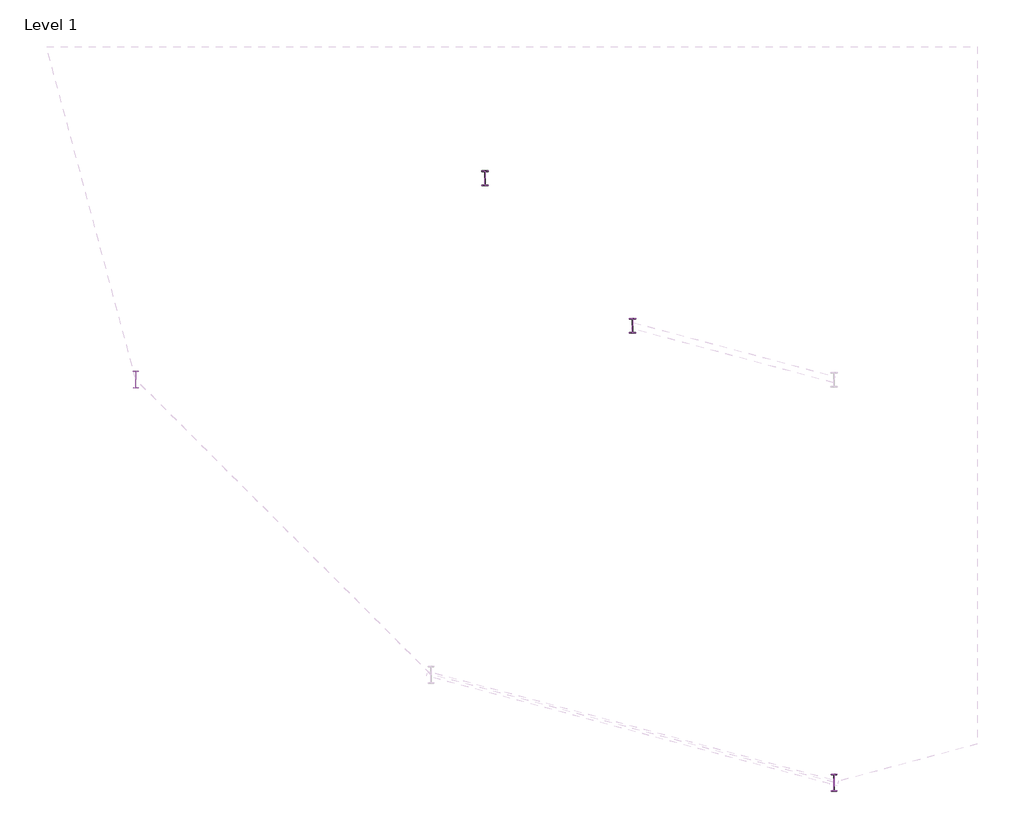
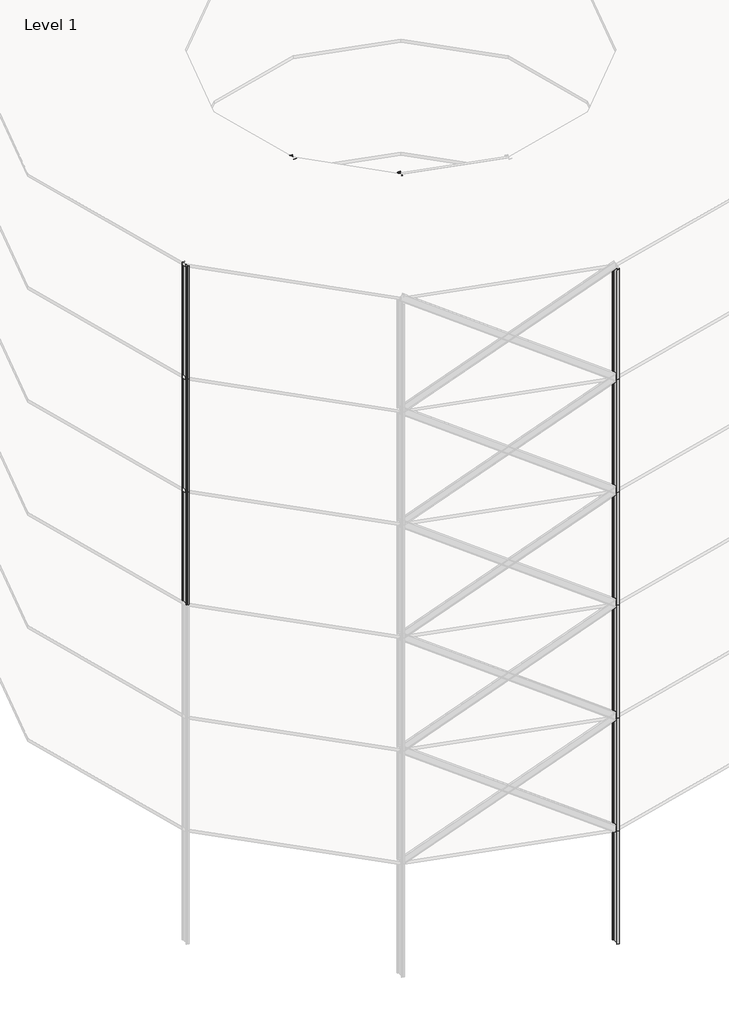
# One storey, part 2 of 9: 21 columns.
"""IFC4 building model written with IfcOpenShell, lengths in millimetres."""

from ifc_helpers import new_model, si_unit, point, frame, frame_2d, origin, origin_with_axes, place, context, project, spatial, polyline, circle_curve, ellipse_curve, trimmed, segment, composite_curve, outline, extrude, element, save
from ifc_brep_helpers import plane_surface, revolved_surface, advanced_brep

model = new_model("IFC4")

# Units and contexts
model_context = context("Model", 3, world=origin())
ifc_project = project(units=[si_unit("LENGTHUNIT", "METRE", prefix="MILLI")], contexts=[model_context])

# Site, building, storey
site = spatial("IfcSite", under=ifc_project)
building = spatial("IfcBuilding", under=site)
storey = spatial("IfcBuildingStorey", under=building, Name="Level 1", Elevation=0.0)

# Columns
placement = place(None, origin())
element("IfcColumn", 1, ObjectType="w shapes-column : W18X60", at=placement, inside=storey, context=model_context, shape_type="SweptSolid", body=[
    extrude(outline(composite_curve([segment(polyline([(-10729.3058937, -6018.8602), (-10729.3058937, -6036.6402), (-10809.8238937, -6036.6402)]), True, "CONTINUOUS"), segment(trimmed(circle_curve(frame_2d((-10809.8238937, -6046.8002)), 10.16), [point((-10809.8238937, -6036.6402))], [point((-10819.9838937, -6046.8002))], True, "CARTESIAN"), True, "CONTINUOUS"), segment(polyline([(-10819.9838937, -6046.8002), (-10819.9838937, -6453.2002)]), True, "CONTINUOUS"), segment(trimmed(circle_curve(frame_2d((-10809.8238937, -6453.2002)), 10.16), [point((-10819.9838937, -6453.2002))], [point((-10809.8238937, -6463.3602))], True, "CARTESIAN"), True, "CONTINUOUS"), segment(polyline([(-10809.8238937, -6463.3602), (-10729.3058937, -6463.3602), (-10729.3058937, -6481.1402), (-10921.3298937, -6481.1402), (-10921.3298937, -6463.3602), (-10840.8118937, -6463.3602)]), True, "CONTINUOUS"), segment(trimmed(circle_curve(frame_2d((-10840.8118937, -6453.2002)), 10.16), [point((-10840.8118937, -6463.3602))], [point((-10830.6518937, -6453.2002))], True, "CARTESIAN"), True, "CONTINUOUS"), segment(polyline([(-10830.6518937, -6453.2002), (-10830.6518937, -6046.8002)]), True, "CONTINUOUS"), segment(trimmed(circle_curve(frame_2d((-10840.8118937, -6046.8002)), 10.16), [point((-10830.6518937, -6046.8002))], [point((-10840.8118937, -6036.6402))], True, "CARTESIAN"), True, "CONTINUOUS"), segment(polyline([(-10840.8118937, -6036.6402), (-10921.3298937, -6036.6402), (-10921.3298937, -6018.8602), (-10729.3058937, -6018.8602)]), True, "CONTINUOUS")], self_intersect=False)), origin_with_axes(), (0.0, 0.0, 1.0), 8000.000256),
])
element("IfcColumn", 2, ObjectType="w shapes-column : W18X60", at=placement, inside=storey, context=model_context, shape_type="SweptSolid", body=[
    extrude(outline(composite_curve([segment(polyline([(-10729.3058937, -6018.8602), (-10729.3058937, -6036.6402), (-10809.8238937, -6036.6402)]), True, "CONTINUOUS"), segment(trimmed(circle_curve(frame_2d((-10809.8238937, -6046.8002)), 10.16), [point((-10809.8238937, -6036.6402))], [point((-10819.9838937, -6046.8002))], True, "CARTESIAN"), True, "CONTINUOUS"), segment(polyline([(-10819.9838937, -6046.8002), (-10819.9838937, -6453.2002)]), True, "CONTINUOUS"), segment(trimmed(circle_curve(frame_2d((-10809.8238937, -6453.2002)), 10.16), [point((-10819.9838937, -6453.2002))], [point((-10809.8238937, -6463.3602))], True, "CARTESIAN"), True, "CONTINUOUS"), segment(polyline([(-10809.8238937, -6463.3602), (-10729.3058937, -6463.3602), (-10729.3058937, -6481.1402), (-10921.3298937, -6481.1402), (-10921.3298937, -6463.3602), (-10840.8118937, -6463.3602)]), True, "CONTINUOUS"), segment(trimmed(circle_curve(frame_2d((-10840.8118937, -6453.2002)), 10.16), [point((-10840.8118937, -6463.3602))], [point((-10830.6518937, -6453.2002))], True, "CARTESIAN"), True, "CONTINUOUS"), segment(polyline([(-10830.6518937, -6453.2002), (-10830.6518937, -6046.8002)]), True, "CONTINUOUS"), segment(trimmed(circle_curve(frame_2d((-10840.8118937, -6046.8002)), 10.16), [point((-10830.6518937, -6046.8002))], [point((-10840.8118937, -6036.6402))], True, "CARTESIAN"), True, "CONTINUOUS"), segment(polyline([(-10840.8118937, -6036.6402), (-10921.3298937, -6036.6402), (-10921.3298937, -6018.8602), (-10729.3058937, -6018.8602)]), True, "CONTINUOUS")], self_intersect=False)), frame((0.0, 0.0, 8000.000256), z_axis=(0.0, 0.0, 1.0), x_axis=(1.0, 0.0, 0.0)), (0.0, 0.0, 1.0), 8000.000256),
])
element("IfcColumn", 3, ObjectType="w shapes-column : W18X60", at=placement, inside=storey, context=model_context, shape_type="SweptSolid", body=[
    extrude(outline(composite_curve([segment(polyline([(-10729.3058937, -6018.8602), (-10729.3058937, -6036.6402), (-10809.8238937, -6036.6402)]), True, "CONTINUOUS"), segment(trimmed(circle_curve(frame_2d((-10809.8238937, -6046.8002)), 10.16), [point((-10809.8238937, -6036.6402))], [point((-10819.9838937, -6046.8002))], True, "CARTESIAN"), True, "CONTINUOUS"), segment(polyline([(-10819.9838937, -6046.8002), (-10819.9838937, -6453.2002)]), True, "CONTINUOUS"), segment(trimmed(circle_curve(frame_2d((-10809.8238937, -6453.2002)), 10.16), [point((-10819.9838937, -6453.2002))], [point((-10809.8238937, -6463.3602))], True, "CARTESIAN"), True, "CONTINUOUS"), segment(polyline([(-10809.8238937, -6463.3602), (-10729.3058937, -6463.3602), (-10729.3058937, -6481.1402), (-10921.3298937, -6481.1402), (-10921.3298937, -6463.3602), (-10840.8118937, -6463.3602)]), True, "CONTINUOUS"), segment(trimmed(circle_curve(frame_2d((-10840.8118937, -6453.2002)), 10.16), [point((-10840.8118937, -6463.3602))], [point((-10830.6518937, -6453.2002))], True, "CARTESIAN"), True, "CONTINUOUS"), segment(polyline([(-10830.6518937, -6453.2002), (-10830.6518937, -6046.8002)]), True, "CONTINUOUS"), segment(trimmed(circle_curve(frame_2d((-10840.8118937, -6046.8002)), 10.16), [point((-10830.6518937, -6046.8002))], [point((-10840.8118937, -6036.6402))], True, "CARTESIAN"), True, "CONTINUOUS"), segment(polyline([(-10840.8118937, -6036.6402), (-10921.3298937, -6036.6402), (-10921.3298937, -6018.8602), (-10729.3058937, -6018.8602)]), True, "CONTINUOUS")], self_intersect=False)), frame((0.0, 0.0, 16000.000512), z_axis=(0.0, 0.0, 1.0), x_axis=(1.0, 0.0, 0.0)), (0.0, 0.0, 1.0), 8000.000256),
])
element("IfcColumn", 4, ObjectType="w shapes-column : W18X60", at=placement, inside=storey, context=model_context, shape_type="SweptSolid", body=[
    extrude(outline(composite_curve([segment(polyline([(-10729.3058937, -6018.8602), (-10729.3058937, -6036.6402), (-10809.8238937, -6036.6402)]), True, "CONTINUOUS"), segment(trimmed(circle_curve(frame_2d((-10809.8238937, -6046.8002)), 10.16), [point((-10809.8238937, -6036.6402))], [point((-10819.9838937, -6046.8002))], True, "CARTESIAN"), True, "CONTINUOUS"), segment(polyline([(-10819.9838937, -6046.8002), (-10819.9838937, -6453.2002)]), True, "CONTINUOUS"), segment(trimmed(circle_curve(frame_2d((-10809.8238937, -6453.2002)), 10.16), [point((-10819.9838937, -6453.2002))], [point((-10809.8238937, -6463.3602))], True, "CARTESIAN"), True, "CONTINUOUS"), segment(polyline([(-10809.8238937, -6463.3602), (-10729.3058937, -6463.3602), (-10729.3058937, -6481.1402), (-10921.3298937, -6481.1402), (-10921.3298937, -6463.3602), (-10840.8118937, -6463.3602)]), True, "CONTINUOUS"), segment(trimmed(circle_curve(frame_2d((-10840.8118937, -6453.2002)), 10.16), [point((-10840.8118937, -6463.3602))], [point((-10830.6518937, -6453.2002))], True, "CARTESIAN"), True, "CONTINUOUS"), segment(polyline([(-10830.6518937, -6453.2002), (-10830.6518937, -6046.8002)]), True, "CONTINUOUS"), segment(trimmed(circle_curve(frame_2d((-10840.8118937, -6046.8002)), 10.16), [point((-10830.6518937, -6046.8002))], [point((-10840.8118937, -6036.6402))], True, "CARTESIAN"), True, "CONTINUOUS"), segment(polyline([(-10840.8118937, -6036.6402), (-10921.3298937, -6036.6402), (-10921.3298937, -6018.8602), (-10729.3058937, -6018.8602)]), True, "CONTINUOUS")], self_intersect=False)), frame((0.0, 0.0, 24000.000768), z_axis=(0.0, 0.0, 1.0), x_axis=(1.0, 0.0, 0.0)), (0.0, 0.0, 1.0), 8000.000256),
])
element("IfcColumn", 5, ObjectType="w shapes-column : W18X60", at=placement, inside=storey, context=model_context, shape_type="SweptSolid", body=[
    extrude(outline(composite_curve([segment(polyline([(-10729.3058937, -6018.8602), (-10729.3058937, -6036.6402), (-10809.8238937, -6036.6402)]), True, "CONTINUOUS"), segment(trimmed(circle_curve(frame_2d((-10809.8238937, -6046.8002)), 10.16), [point((-10809.8238937, -6036.6402))], [point((-10819.9838937, -6046.8002))], True, "CARTESIAN"), True, "CONTINUOUS"), segment(polyline([(-10819.9838937, -6046.8002), (-10819.9838937, -6453.2002)]), True, "CONTINUOUS"), segment(trimmed(circle_curve(frame_2d((-10809.8238937, -6453.2002)), 10.16), [point((-10819.9838937, -6453.2002))], [point((-10809.8238937, -6463.3602))], True, "CARTESIAN"), True, "CONTINUOUS"), segment(polyline([(-10809.8238937, -6463.3602), (-10729.3058937, -6463.3602), (-10729.3058937, -6481.1402), (-10921.3298937, -6481.1402), (-10921.3298937, -6463.3602), (-10840.8118937, -6463.3602)]), True, "CONTINUOUS"), segment(trimmed(circle_curve(frame_2d((-10840.8118937, -6453.2002)), 10.16), [point((-10840.8118937, -6463.3602))], [point((-10830.6518937, -6453.2002))], True, "CARTESIAN"), True, "CONTINUOUS"), segment(polyline([(-10830.6518937, -6453.2002), (-10830.6518937, -6046.8002)]), True, "CONTINUOUS"), segment(trimmed(circle_curve(frame_2d((-10840.8118937, -6046.8002)), 10.16), [point((-10830.6518937, -6046.8002))], [point((-10840.8118937, -6036.6402))], True, "CARTESIAN"), True, "CONTINUOUS"), segment(polyline([(-10840.8118937, -6036.6402), (-10921.3298937, -6036.6402), (-10921.3298937, -6018.8602), (-10729.3058937, -6018.8602)]), True, "CONTINUOUS")], self_intersect=False)), frame((0.0, 0.0, 32000.001024), z_axis=(0.0, 0.0, 1.0), x_axis=(1.0, 0.0, 0.0)), (0.0, 0.0, 1.0), 8000.000256),
])
element("IfcColumn", 6, ObjectType="w shapes-column : W18X60", at=placement, inside=storey, context=model_context, shape_type="SweptSolid", body=[
    extrude(outline(composite_curve([segment(polyline([(-10729.3058937, -6018.8602), (-10729.3058937, -6036.6402), (-10809.8238937, -6036.6402)]), True, "CONTINUOUS"), segment(trimmed(circle_curve(frame_2d((-10809.8238937, -6046.8002)), 10.16), [point((-10809.8238937, -6036.6402))], [point((-10819.9838937, -6046.8002))], True, "CARTESIAN"), True, "CONTINUOUS"), segment(polyline([(-10819.9838937, -6046.8002), (-10819.9838937, -6453.2002)]), True, "CONTINUOUS"), segment(trimmed(circle_curve(frame_2d((-10809.8238937, -6453.2002)), 10.16), [point((-10819.9838937, -6453.2002))], [point((-10809.8238937, -6463.3602))], True, "CARTESIAN"), True, "CONTINUOUS"), segment(polyline([(-10809.8238937, -6463.3602), (-10729.3058937, -6463.3602), (-10729.3058937, -6481.1402), (-10921.3298937, -6481.1402), (-10921.3298937, -6463.3602), (-10840.8118937, -6463.3602)]), True, "CONTINUOUS"), segment(trimmed(circle_curve(frame_2d((-10840.8118937, -6453.2002)), 10.16), [point((-10840.8118937, -6463.3602))], [point((-10830.6518937, -6453.2002))], True, "CARTESIAN"), True, "CONTINUOUS"), segment(polyline([(-10830.6518937, -6453.2002), (-10830.6518937, -6046.8002)]), True, "CONTINUOUS"), segment(trimmed(circle_curve(frame_2d((-10840.8118937, -6046.8002)), 10.16), [point((-10830.6518937, -6046.8002))], [point((-10840.8118937, -6036.6402))], True, "CARTESIAN"), True, "CONTINUOUS"), segment(polyline([(-10840.8118937, -6036.6402), (-10921.3298937, -6036.6402), (-10921.3298937, -6018.8602), (-10729.3058937, -6018.8602)]), True, "CONTINUOUS")], self_intersect=False)), frame((0.0, 0.0, 40000.00128), z_axis=(0.0, 0.0, 1.0), x_axis=(1.0, 0.0, 0.0)), (0.0, 0.0, 1.0), 8000.000256),
])
element("IfcColumn", 7, ObjectType="w shapes-column : W18X60", at=placement, inside=storey, context=model_context, shape_type="SweptSolid", body=[
    extrude(outline(composite_curve([segment(polyline([(-6153.9882, -10594.1778937), (-6153.9882, -10611.9578937), (-6234.5062, -10611.9578937)]), True, "CONTINUOUS"), segment(trimmed(circle_curve(frame_2d((-6234.5062, -10622.1178937)), 10.16), [point((-6234.5062, -10611.9578937))], [point((-6244.6662, -10622.1178937))], True, "CARTESIAN"), True, "CONTINUOUS"), segment(polyline([(-6244.6662, -10622.1178937), (-6244.6662, -11028.5178937)]), True, "CONTINUOUS"), segment(trimmed(circle_curve(frame_2d((-6234.5062, -11028.5178937)), 10.16), [point((-6244.6662, -11028.5178937))], [point((-6234.5062, -11038.6778937))], True, "CARTESIAN"), True, "CONTINUOUS"), segment(polyline([(-6234.5062, -11038.6778937), (-6153.9882, -11038.6778937), (-6153.9882, -11056.4578937), (-6346.0122, -11056.4578937), (-6346.0122, -11038.6778937), (-6265.4942, -11038.6778937)]), True, "CONTINUOUS"), segment(trimmed(circle_curve(frame_2d((-6265.4942, -11028.5178937)), 10.16), [point((-6265.4942, -11038.6778937))], [point((-6255.3342, -11028.5178937))], True, "CARTESIAN"), True, "CONTINUOUS"), segment(polyline([(-6255.3342, -11028.5178937), (-6255.3342, -10622.1178937)]), True, "CONTINUOUS"), segment(trimmed(circle_curve(frame_2d((-6265.4942, -10622.1178937)), 10.16), [point((-6255.3342, -10622.1178937))], [point((-6265.4942, -10611.9578937))], True, "CARTESIAN"), True, "CONTINUOUS"), segment(polyline([(-6265.4942, -10611.9578937), (-6346.0122, -10611.9578937), (-6346.0122, -10594.1778937), (-6153.9882, -10594.1778937)]), True, "CONTINUOUS")], self_intersect=False)), origin_with_axes(), (0.0, 0.0, 1.0), 8000.000256),
])
element("IfcColumn", 8, ObjectType="w shapes-column : W18X60", at=placement, inside=storey, context=model_context, shape_type="SweptSolid", body=[
    extrude(outline(composite_curve([segment(polyline([(-6153.9882, -10594.1778937), (-6153.9882, -10611.9578937), (-6234.5062, -10611.9578937)]), True, "CONTINUOUS"), segment(trimmed(circle_curve(frame_2d((-6234.5062, -10622.1178937)), 10.16), [point((-6234.5062, -10611.9578937))], [point((-6244.6662, -10622.1178937))], True, "CARTESIAN"), True, "CONTINUOUS"), segment(polyline([(-6244.6662, -10622.1178937), (-6244.6662, -11028.5178937)]), True, "CONTINUOUS"), segment(trimmed(circle_curve(frame_2d((-6234.5062, -11028.5178937)), 10.16), [point((-6244.6662, -11028.5178937))], [point((-6234.5062, -11038.6778937))], True, "CARTESIAN"), True, "CONTINUOUS"), segment(polyline([(-6234.5062, -11038.6778937), (-6153.9882, -11038.6778937), (-6153.9882, -11056.4578937), (-6346.0122, -11056.4578937), (-6346.0122, -11038.6778937), (-6265.4942, -11038.6778937)]), True, "CONTINUOUS"), segment(trimmed(circle_curve(frame_2d((-6265.4942, -11028.5178937)), 10.16), [point((-6265.4942, -11038.6778937))], [point((-6255.3342, -11028.5178937))], True, "CARTESIAN"), True, "CONTINUOUS"), segment(polyline([(-6255.3342, -11028.5178937), (-6255.3342, -10622.1178937)]), True, "CONTINUOUS"), segment(trimmed(circle_curve(frame_2d((-6265.4942, -10622.1178937)), 10.16), [point((-6255.3342, -10622.1178937))], [point((-6265.4942, -10611.9578937))], True, "CARTESIAN"), True, "CONTINUOUS"), segment(polyline([(-6265.4942, -10611.9578937), (-6346.0122, -10611.9578937), (-6346.0122, -10594.1778937), (-6153.9882, -10594.1778937)]), True, "CONTINUOUS")], self_intersect=False)), frame((0.0, 0.0, 8000.000256), z_axis=(0.0, 0.0, 1.0), x_axis=(1.0, 0.0, 0.0)), (0.0, 0.0, 1.0), 8000.000256),
])
element("IfcColumn", 9, ObjectType="w shapes-column : W18X60", at=placement, inside=storey, context=model_context, shape_type="SweptSolid", body=[
    extrude(outline(composite_curve([segment(polyline([(-6153.9882, -10594.1778937), (-6153.9882, -10611.9578937), (-6234.5062, -10611.9578937)]), True, "CONTINUOUS"), segment(trimmed(circle_curve(frame_2d((-6234.5062, -10622.1178937)), 10.16), [point((-6234.5062, -10611.9578937))], [point((-6244.6662, -10622.1178937))], True, "CARTESIAN"), True, "CONTINUOUS"), segment(polyline([(-6244.6662, -10622.1178937), (-6244.6662, -11028.5178937)]), True, "CONTINUOUS"), segment(trimmed(circle_curve(frame_2d((-6234.5062, -11028.5178937)), 10.16), [point((-6244.6662, -11028.5178937))], [point((-6234.5062, -11038.6778937))], True, "CARTESIAN"), True, "CONTINUOUS"), segment(polyline([(-6234.5062, -11038.6778937), (-6153.9882, -11038.6778937), (-6153.9882, -11056.4578937), (-6346.0122, -11056.4578937), (-6346.0122, -11038.6778937), (-6265.4942, -11038.6778937)]), True, "CONTINUOUS"), segment(trimmed(circle_curve(frame_2d((-6265.4942, -11028.5178937)), 10.16), [point((-6265.4942, -11038.6778937))], [point((-6255.3342, -11028.5178937))], True, "CARTESIAN"), True, "CONTINUOUS"), segment(polyline([(-6255.3342, -11028.5178937), (-6255.3342, -10622.1178937)]), True, "CONTINUOUS"), segment(trimmed(circle_curve(frame_2d((-6265.4942, -10622.1178937)), 10.16), [point((-6255.3342, -10622.1178937))], [point((-6265.4942, -10611.9578937))], True, "CARTESIAN"), True, "CONTINUOUS"), segment(polyline([(-6265.4942, -10611.9578937), (-6346.0122, -10611.9578937), (-6346.0122, -10594.1778937), (-6153.9882, -10594.1778937)]), True, "CONTINUOUS")], self_intersect=False)), frame((0.0, 0.0, 16000.000512), z_axis=(0.0, 0.0, 1.0), x_axis=(1.0, 0.0, 0.0)), (0.0, 0.0, 1.0), 8000.000256),
])
element("IfcColumn", 10, ObjectType="w shapes-column : W18X60", at=placement, inside=storey, context=model_context, shape_type="SweptSolid", body=[
    extrude(outline(composite_curve([segment(polyline([(-6153.9882, -10594.1778937), (-6153.9882, -10611.9578937), (-6234.5062, -10611.9578937)]), True, "CONTINUOUS"), segment(trimmed(circle_curve(frame_2d((-6234.5062, -10622.1178937)), 10.16), [point((-6234.5062, -10611.9578937))], [point((-6244.6662, -10622.1178937))], True, "CARTESIAN"), True, "CONTINUOUS"), segment(polyline([(-6244.6662, -10622.1178937), (-6244.6662, -11028.5178937)]), True, "CONTINUOUS"), segment(trimmed(circle_curve(frame_2d((-6234.5062, -11028.5178937)), 10.16), [point((-6244.6662, -11028.5178937))], [point((-6234.5062, -11038.6778937))], True, "CARTESIAN"), True, "CONTINUOUS"), segment(polyline([(-6234.5062, -11038.6778937), (-6153.9882, -11038.6778937), (-6153.9882, -11056.4578937), (-6346.0122, -11056.4578937), (-6346.0122, -11038.6778937), (-6265.4942, -11038.6778937)]), True, "CONTINUOUS"), segment(trimmed(circle_curve(frame_2d((-6265.4942, -11028.5178937)), 10.16), [point((-6265.4942, -11038.6778937))], [point((-6255.3342, -11028.5178937))], True, "CARTESIAN"), True, "CONTINUOUS"), segment(polyline([(-6255.3342, -11028.5178937), (-6255.3342, -10622.1178937)]), True, "CONTINUOUS"), segment(trimmed(circle_curve(frame_2d((-6265.4942, -10622.1178937)), 10.16), [point((-6255.3342, -10622.1178937))], [point((-6265.4942, -10611.9578937))], True, "CARTESIAN"), True, "CONTINUOUS"), segment(polyline([(-6265.4942, -10611.9578937), (-6346.0122, -10611.9578937), (-6346.0122, -10594.1778937), (-6153.9882, -10594.1778937)]), True, "CONTINUOUS")], self_intersect=False)), frame((0.0, 0.0, 24000.000768), z_axis=(0.0, 0.0, 1.0), x_axis=(1.0, 0.0, 0.0)), (0.0, 0.0, 1.0), 8000.000256),
])
element("IfcColumn", 11, ObjectType="w shapes-column : W18X60", at=placement, inside=storey, context=model_context, shape_type="SweptSolid", body=[
    extrude(outline(composite_curve([segment(polyline([(-6153.9882, -10594.1778937), (-6153.9882, -10611.9578937), (-6234.5062, -10611.9578937)]), True, "CONTINUOUS"), segment(trimmed(circle_curve(frame_2d((-6234.5062, -10622.1178937)), 10.16), [point((-6234.5062, -10611.9578937))], [point((-6244.6662, -10622.1178937))], True, "CARTESIAN"), True, "CONTINUOUS"), segment(polyline([(-6244.6662, -10622.1178937), (-6244.6662, -11028.5178937)]), True, "CONTINUOUS"), segment(trimmed(circle_curve(frame_2d((-6234.5062, -11028.5178937)), 10.16), [point((-6244.6662, -11028.5178937))], [point((-6234.5062, -11038.6778937))], True, "CARTESIAN"), True, "CONTINUOUS"), segment(polyline([(-6234.5062, -11038.6778937), (-6153.9882, -11038.6778937), (-6153.9882, -11056.4578937), (-6346.0122, -11056.4578937), (-6346.0122, -11038.6778937), (-6265.4942, -11038.6778937)]), True, "CONTINUOUS"), segment(trimmed(circle_curve(frame_2d((-6265.4942, -11028.5178937)), 10.16), [point((-6265.4942, -11038.6778937))], [point((-6255.3342, -11028.5178937))], True, "CARTESIAN"), True, "CONTINUOUS"), segment(polyline([(-6255.3342, -11028.5178937), (-6255.3342, -10622.1178937)]), True, "CONTINUOUS"), segment(trimmed(circle_curve(frame_2d((-6265.4942, -10622.1178937)), 10.16), [point((-6255.3342, -10622.1178937))], [point((-6265.4942, -10611.9578937))], True, "CARTESIAN"), True, "CONTINUOUS"), segment(polyline([(-6265.4942, -10611.9578937), (-6346.0122, -10611.9578937), (-6346.0122, -10594.1778937), (-6153.9882, -10594.1778937)]), True, "CONTINUOUS")], self_intersect=False)), frame((0.0, 0.0, 32000.001024), z_axis=(0.0, 0.0, 1.0), x_axis=(1.0, 0.0, 0.0)), (0.0, 0.0, 1.0), 8000.000256),
])
element("IfcColumn", 12, ObjectType="w shapes-column : W18X60", at=placement, inside=storey, context=model_context, shape_type="SweptSolid", body=[
    extrude(outline(composite_curve([segment(polyline([(-6153.9882, -10594.1778937), (-6153.9882, -10611.9578937), (-6234.5062, -10611.9578937)]), True, "CONTINUOUS"), segment(trimmed(circle_curve(frame_2d((-6234.5062, -10622.1178937)), 10.16), [point((-6234.5062, -10611.9578937))], [point((-6244.6662, -10622.1178937))], True, "CARTESIAN"), True, "CONTINUOUS"), segment(polyline([(-6244.6662, -10622.1178937), (-6244.6662, -11028.5178937)]), True, "CONTINUOUS"), segment(trimmed(circle_curve(frame_2d((-6234.5062, -11028.5178937)), 10.16), [point((-6244.6662, -11028.5178937))], [point((-6234.5062, -11038.6778937))], True, "CARTESIAN"), True, "CONTINUOUS"), segment(polyline([(-6234.5062, -11038.6778937), (-6153.9882, -11038.6778937), (-6153.9882, -11056.4578937), (-6346.0122, -11056.4578937), (-6346.0122, -11038.6778937), (-6265.4942, -11038.6778937)]), True, "CONTINUOUS"), segment(trimmed(circle_curve(frame_2d((-6265.4942, -11028.5178937)), 10.16), [point((-6265.4942, -11038.6778937))], [point((-6255.3342, -11028.5178937))], True, "CARTESIAN"), True, "CONTINUOUS"), segment(polyline([(-6255.3342, -11028.5178937), (-6255.3342, -10622.1178937)]), True, "CONTINUOUS"), segment(trimmed(circle_curve(frame_2d((-6265.4942, -10622.1178937)), 10.16), [point((-6255.3342, -10622.1178937))], [point((-6265.4942, -10611.9578937))], True, "CARTESIAN"), True, "CONTINUOUS"), segment(polyline([(-6265.4942, -10611.9578937), (-6346.0122, -10611.9578937), (-6346.0122, -10594.1778937), (-6153.9882, -10594.1778937)]), True, "CONTINUOUS")], self_intersect=False)), frame((0.0, 0.0, 40000.00128), z_axis=(0.0, 0.0, 1.0), x_axis=(1.0, 0.0, 0.0)), (0.0, 0.0, 1.0), 8000.000256),
])
element("IfcColumn", 13, ObjectType="w shapes-column : W21X50", at=placement, inside=storey, context=model_context, shape_type="SweptSolid", body=[
    extrude(outline(composite_curve([segment(polyline([(-21567.7047874, -12235.8404), (-21567.7047874, -12249.5564), (-21633.1097874, -12249.5564)]), True, "CONTINUOUS"), segment(trimmed(circle_curve(frame_2d((-21633.1097874, -12262.2564)), 12.7), [point((-21633.1097874, -12249.5564))], [point((-21645.8097874, -12262.2564))], True, "CARTESIAN"), True, "CONTINUOUS"), segment(polyline([(-21645.8097874, -12262.2564), (-21645.8097874, -12737.7444)]), True, "CONTINUOUS"), segment(trimmed(circle_curve(frame_2d((-21633.1097874, -12737.7444)), 12.7), [point((-21645.8097874, -12737.7444))], [point((-21633.1097874, -12750.4444))], True, "CARTESIAN"), True, "CONTINUOUS"), segment(polyline([(-21633.1097874, -12750.4444), (-21567.7047874, -12750.4444), (-21567.7047874, -12764.1604), (-21733.5667874, -12764.1604), (-21733.5667874, -12750.4444), (-21668.1617874, -12750.4444)]), True, "CONTINUOUS"), segment(trimmed(circle_curve(frame_2d((-21668.1617874, -12737.7444)), 12.7), [point((-21668.1617874, -12750.4444))], [point((-21655.4617874, -12737.7444))], True, "CARTESIAN"), True, "CONTINUOUS"), segment(polyline([(-21655.4617874, -12737.7444), (-21655.4617874, -12262.2564)]), True, "CONTINUOUS"), segment(trimmed(circle_curve(frame_2d((-21668.1617874, -12262.2564)), 12.7), [point((-21655.4617874, -12262.2564))], [point((-21668.1617874, -12249.5564))], True, "CARTESIAN"), True, "CONTINUOUS"), segment(polyline([(-21668.1617874, -12249.5564), (-21733.5667874, -12249.5564), (-21733.5667874, -12235.8404), (-21567.7047874, -12235.8404)]), True, "CONTINUOUS")], self_intersect=False)), frame((0.0, 0.0, 24000.000768), z_axis=(0.0, 0.0, 1.0), x_axis=(1.0, 0.0, 0.0)), (0.0, 0.0, 1.0), 8000.000256),
])
element("IfcColumn", 14, ObjectType="w shapes-column : W21X50", at=placement, inside=storey, context=model_context, shape_type="SweptSolid", body=[
    extrude(outline(composite_curve([segment(polyline([(-21567.7047874, -12235.8404), (-21567.7047874, -12249.5564), (-21633.1097874, -12249.5564)]), True, "CONTINUOUS"), segment(trimmed(circle_curve(frame_2d((-21633.1097874, -12262.2564)), 12.7), [point((-21633.1097874, -12249.5564))], [point((-21645.8097874, -12262.2564))], True, "CARTESIAN"), True, "CONTINUOUS"), segment(polyline([(-21645.8097874, -12262.2564), (-21645.8097874, -12737.7444)]), True, "CONTINUOUS"), segment(trimmed(circle_curve(frame_2d((-21633.1097874, -12737.7444)), 12.7), [point((-21645.8097874, -12737.7444))], [point((-21633.1097874, -12750.4444))], True, "CARTESIAN"), True, "CONTINUOUS"), segment(polyline([(-21633.1097874, -12750.4444), (-21567.7047874, -12750.4444), (-21567.7047874, -12764.1604), (-21733.5667874, -12764.1604), (-21733.5667874, -12750.4444), (-21668.1617874, -12750.4444)]), True, "CONTINUOUS"), segment(trimmed(circle_curve(frame_2d((-21668.1617874, -12737.7444)), 12.7), [point((-21668.1617874, -12750.4444))], [point((-21655.4617874, -12737.7444))], True, "CARTESIAN"), True, "CONTINUOUS"), segment(polyline([(-21655.4617874, -12737.7444), (-21655.4617874, -12262.2564)]), True, "CONTINUOUS"), segment(trimmed(circle_curve(frame_2d((-21668.1617874, -12262.2564)), 12.7), [point((-21655.4617874, -12262.2564))], [point((-21668.1617874, -12249.5564))], True, "CARTESIAN"), True, "CONTINUOUS"), segment(polyline([(-21668.1617874, -12249.5564), (-21733.5667874, -12249.5564), (-21733.5667874, -12235.8404), (-21567.7047874, -12235.8404)]), True, "CONTINUOUS")], self_intersect=False)), frame((0.0, 0.0, 32000.001024), z_axis=(0.0, 0.0, 1.0), x_axis=(1.0, 0.0, 0.0)), (0.0, 0.0, 1.0), 8000.000256),
])
element("IfcColumn", 15, ObjectType="w shapes-column : W21X50", at=placement, inside=storey, context=model_context, shape_type="SweptSolid", body=[
    extrude(outline(composite_curve([segment(polyline([(-21567.7047874, -12235.8404), (-21567.7047874, -12249.5564), (-21633.1097874, -12249.5564)]), True, "CONTINUOUS"), segment(trimmed(circle_curve(frame_2d((-21633.1097874, -12262.2564)), 12.7), [point((-21633.1097874, -12249.5564))], [point((-21645.8097874, -12262.2564))], True, "CARTESIAN"), True, "CONTINUOUS"), segment(polyline([(-21645.8097874, -12262.2564), (-21645.8097874, -12737.7444)]), True, "CONTINUOUS"), segment(trimmed(circle_curve(frame_2d((-21633.1097874, -12737.7444)), 12.7), [point((-21645.8097874, -12737.7444))], [point((-21633.1097874, -12750.4444))], True, "CARTESIAN"), True, "CONTINUOUS"), segment(polyline([(-21633.1097874, -12750.4444), (-21567.7047874, -12750.4444), (-21567.7047874, -12764.1604), (-21733.5667874, -12764.1604), (-21733.5667874, -12750.4444), (-21668.1617874, -12750.4444)]), True, "CONTINUOUS"), segment(trimmed(circle_curve(frame_2d((-21668.1617874, -12737.7444)), 12.7), [point((-21668.1617874, -12750.4444))], [point((-21655.4617874, -12737.7444))], True, "CARTESIAN"), True, "CONTINUOUS"), segment(polyline([(-21655.4617874, -12737.7444), (-21655.4617874, -12262.2564)]), True, "CONTINUOUS"), segment(trimmed(circle_curve(frame_2d((-21668.1617874, -12262.2564)), 12.7), [point((-21655.4617874, -12262.2564))], [point((-21668.1617874, -12249.5564))], True, "CARTESIAN"), True, "CONTINUOUS"), segment(polyline([(-21668.1617874, -12249.5564), (-21733.5667874, -12249.5564), (-21733.5667874, -12235.8404), (-21567.7047874, -12235.8404)]), True, "CONTINUOUS")], self_intersect=False)), frame((0.0, 0.0, 40000.00128), z_axis=(0.0, 0.0, 1.0), x_axis=(1.0, 0.0, 0.0)), (0.0, 0.0, 1.0), 8000.000256),
])
element("IfcColumn", 16, ObjectType="w shapes-column : W21X50", at=placement, inside=storey, context=model_context, shape_type="SweptSolid", body=[
    extrude(outline(composite_curve([segment(polyline([(82.931, -24735.8408), (82.931, -24749.5568), (17.526, -24749.5568)]), True, "CONTINUOUS"), segment(trimmed(circle_curve(frame_2d((17.526, -24762.2568)), 12.7), [point((17.526, -24749.5568))], [point((4.826, -24762.2568))], True, "CARTESIAN"), True, "CONTINUOUS"), segment(polyline([(4.826, -24762.2568), (4.826, -25237.7448)]), True, "CONTINUOUS"), segment(trimmed(circle_curve(frame_2d((17.526, -25237.7448)), 12.7), [point((4.826, -25237.7448))], [point((17.526, -25250.4448))], True, "CARTESIAN"), True, "CONTINUOUS"), segment(polyline([(17.526, -25250.4448), (82.931, -25250.4448), (82.931, -25264.1608), (-82.931, -25264.1608), (-82.931, -25250.4448), (-17.526, -25250.4448)]), True, "CONTINUOUS"), segment(trimmed(circle_curve(frame_2d((-17.526, -25237.7448)), 12.7), [point((-17.526, -25250.4448))], [point((-4.826, -25237.7448))], True, "CARTESIAN"), True, "CONTINUOUS"), segment(polyline([(-4.826, -25237.7448), (-4.826, -24762.2568)]), True, "CONTINUOUS"), segment(trimmed(circle_curve(frame_2d((-17.526, -24762.2568)), 12.7), [point((-4.826, -24762.2568))], [point((-17.526, -24749.5568))], True, "CARTESIAN"), True, "CONTINUOUS"), segment(polyline([(-17.526, -24749.5568), (-82.931, -24749.5568), (-82.931, -24735.8408), (82.931, -24735.8408)]), True, "CONTINUOUS")], self_intersect=False)), origin_with_axes(), (0.0, 0.0, 1.0), 8000.000256),
])
element("IfcColumn", 17, ObjectType="w shapes-column : W21X50", at=placement, inside=storey, context=model_context, shape_type="SweptSolid", body=[
    extrude(outline(composite_curve([segment(polyline([(82.931, -24735.8408), (82.931, -24749.5568), (17.526, -24749.5568)]), True, "CONTINUOUS"), segment(trimmed(circle_curve(frame_2d((17.526, -24762.2568)), 12.7), [point((17.526, -24749.5568))], [point((4.826, -24762.2568))], True, "CARTESIAN"), True, "CONTINUOUS"), segment(polyline([(4.826, -24762.2568), (4.826, -25237.7448)]), True, "CONTINUOUS"), segment(trimmed(circle_curve(frame_2d((17.526, -25237.7448)), 12.7), [point((4.826, -25237.7448))], [point((17.526, -25250.4448))], True, "CARTESIAN"), True, "CONTINUOUS"), segment(polyline([(17.526, -25250.4448), (82.931, -25250.4448), (82.931, -25264.1608), (-82.931, -25264.1608), (-82.931, -25250.4448), (-17.526, -25250.4448)]), True, "CONTINUOUS"), segment(trimmed(circle_curve(frame_2d((-17.526, -25237.7448)), 12.7), [point((-17.526, -25250.4448))], [point((-4.826, -25237.7448))], True, "CARTESIAN"), True, "CONTINUOUS"), segment(polyline([(-4.826, -25237.7448), (-4.826, -24762.2568)]), True, "CONTINUOUS"), segment(trimmed(circle_curve(frame_2d((-17.526, -24762.2568)), 12.7), [point((-4.826, -24762.2568))], [point((-17.526, -24749.5568))], True, "CARTESIAN"), True, "CONTINUOUS"), segment(polyline([(-17.526, -24749.5568), (-82.931, -24749.5568), (-82.931, -24735.8408), (82.931, -24735.8408)]), True, "CONTINUOUS")], self_intersect=False)), frame((0.0, 0.0, 8000.000256), z_axis=(0.0, 0.0, 1.0), x_axis=(1.0, 0.0, 0.0)), (0.0, 0.0, 1.0), 8000.000256),
])
element("IfcColumn", 18, ObjectType="w shapes-column : W21X50", at=placement, inside=storey, context=model_context, shape_type="SweptSolid", body=[
    extrude(outline(composite_curve([segment(polyline([(82.931, -24735.8408), (82.931, -24749.5568), (17.526, -24749.5568)]), True, "CONTINUOUS"), segment(trimmed(circle_curve(frame_2d((17.526, -24762.2568)), 12.7), [point((17.526, -24749.5568))], [point((4.826, -24762.2568))], True, "CARTESIAN"), True, "CONTINUOUS"), segment(polyline([(4.826, -24762.2568), (4.826, -25237.7448)]), True, "CONTINUOUS"), segment(trimmed(circle_curve(frame_2d((17.526, -25237.7448)), 12.7), [point((4.826, -25237.7448))], [point((17.526, -25250.4448))], True, "CARTESIAN"), True, "CONTINUOUS"), segment(polyline([(17.526, -25250.4448), (82.931, -25250.4448), (82.931, -25264.1608), (-82.931, -25264.1608), (-82.931, -25250.4448), (-17.526, -25250.4448)]), True, "CONTINUOUS"), segment(trimmed(circle_curve(frame_2d((-17.526, -25237.7448)), 12.7), [point((-17.526, -25250.4448))], [point((-4.826, -25237.7448))], True, "CARTESIAN"), True, "CONTINUOUS"), segment(polyline([(-4.826, -25237.7448), (-4.826, -24762.2568)]), True, "CONTINUOUS"), segment(trimmed(circle_curve(frame_2d((-17.526, -24762.2568)), 12.7), [point((-4.826, -24762.2568))], [point((-17.526, -24749.5568))], True, "CARTESIAN"), True, "CONTINUOUS"), segment(polyline([(-17.526, -24749.5568), (-82.931, -24749.5568), (-82.931, -24735.8408), (82.931, -24735.8408)]), True, "CONTINUOUS")], self_intersect=False)), frame((0.0, 0.0, 16000.000512), z_axis=(0.0, 0.0, 1.0), x_axis=(1.0, 0.0, 0.0)), (0.0, 0.0, 1.0), 8000.000256),
])
element("IfcColumn", 19, ObjectType="w shapes-column : W21X50", at=placement, inside=storey, context=model_context, shape_type="SweptSolid", body=[
    extrude(outline(composite_curve([segment(polyline([(82.931, -24735.8408), (82.931, -24749.5568), (17.526, -24749.5568)]), True, "CONTINUOUS"), segment(trimmed(circle_curve(frame_2d((17.526, -24762.2568)), 12.7), [point((17.526, -24749.5568))], [point((4.826, -24762.2568))], True, "CARTESIAN"), True, "CONTINUOUS"), segment(polyline([(4.826, -24762.2568), (4.826, -25237.7448)]), True, "CONTINUOUS"), segment(trimmed(circle_curve(frame_2d((17.526, -25237.7448)), 12.7), [point((4.826, -25237.7448))], [point((17.526, -25250.4448))], True, "CARTESIAN"), True, "CONTINUOUS"), segment(polyline([(17.526, -25250.4448), (82.931, -25250.4448), (82.931, -25264.1608), (-82.931, -25264.1608), (-82.931, -25250.4448), (-17.526, -25250.4448)]), True, "CONTINUOUS"), segment(trimmed(circle_curve(frame_2d((-17.526, -25237.7448)), 12.7), [point((-17.526, -25250.4448))], [point((-4.826, -25237.7448))], True, "CARTESIAN"), True, "CONTINUOUS"), segment(polyline([(-4.826, -25237.7448), (-4.826, -24762.2568)]), True, "CONTINUOUS"), segment(trimmed(circle_curve(frame_2d((-17.526, -24762.2568)), 12.7), [point((-4.826, -24762.2568))], [point((-17.526, -24749.5568))], True, "CARTESIAN"), True, "CONTINUOUS"), segment(polyline([(-17.526, -24749.5568), (-82.931, -24749.5568), (-82.931, -24735.8408), (82.931, -24735.8408)]), True, "CONTINUOUS")], self_intersect=False)), frame((0.0, 0.0, 24000.000768), z_axis=(0.0, 0.0, 1.0), x_axis=(1.0, 0.0, 0.0)), (0.0, 0.0, 1.0), 8000.000256),
])
element("IfcColumn", 20, ObjectType="w shapes-column : W21X50", at=placement, inside=storey, context=model_context, shape_type="SweptSolid", body=[
    extrude(outline(composite_curve([segment(polyline([(82.931, -24735.8408), (82.931, -24749.5568), (17.526, -24749.5568)]), True, "CONTINUOUS"), segment(trimmed(circle_curve(frame_2d((17.526, -24762.2568)), 12.7), [point((17.526, -24749.5568))], [point((4.826, -24762.2568))], True, "CARTESIAN"), True, "CONTINUOUS"), segment(polyline([(4.826, -24762.2568), (4.826, -25237.7448)]), True, "CONTINUOUS"), segment(trimmed(circle_curve(frame_2d((17.526, -25237.7448)), 12.7), [point((4.826, -25237.7448))], [point((17.526, -25250.4448))], True, "CARTESIAN"), True, "CONTINUOUS"), segment(polyline([(17.526, -25250.4448), (82.931, -25250.4448), (82.931, -25264.1608), (-82.931, -25264.1608), (-82.931, -25250.4448), (-17.526, -25250.4448)]), True, "CONTINUOUS"), segment(trimmed(circle_curve(frame_2d((-17.526, -25237.7448)), 12.7), [point((-17.526, -25250.4448))], [point((-4.826, -25237.7448))], True, "CARTESIAN"), True, "CONTINUOUS"), segment(polyline([(-4.826, -25237.7448), (-4.826, -24762.2568)]), True, "CONTINUOUS"), segment(trimmed(circle_curve(frame_2d((-17.526, -24762.2568)), 12.7), [point((-4.826, -24762.2568))], [point((-17.526, -24749.5568))], True, "CARTESIAN"), True, "CONTINUOUS"), segment(polyline([(-17.526, -24749.5568), (-82.931, -24749.5568), (-82.931, -24735.8408), (82.931, -24735.8408)]), True, "CONTINUOUS")], self_intersect=False)), frame((0.0, 0.0, 32000.001024), z_axis=(0.0, 0.0, 1.0), x_axis=(1.0, 0.0, 0.0)), (0.0, 0.0, 1.0), 8000.000256),
])
element("IfcColumn", 21, ObjectType="w shapes-column : W21X50", at=placement, inside=storey, context=model_context, shape_type="AdvancedBrep", body=[
    advanced_brep(
    [(82.931, -24749.5568, 47727.2587324), (82.931, -24735.8408, 47725.0641724), (-82.931, -24735.8408, 47626.0233067), (-82.931, -24749.5568, 47628.2178667), (-17.526, -24749.5568, 47667.273032), (-4.826, -24762.2568, 47676.8885592), (-4.826, -25237.7448, 47752.9666392), (-17.526, -25250.4448, 47747.415112), (-82.931, -25250.4448, 47708.3599467), (-82.931, -25264.1608, 47710.5545067), (82.931, -25264.1608, 47809.5953724), (82.931, -25250.4448, 47807.4008124), (17.526, -25250.4448, 47768.3456472), (4.826, -25237.7448, 47758.7301199), (4.826, -24762.2568, 47682.6520399), (17.526, -24749.5568, 47688.2035672), (82.931, -24735.8408, 40000.00128), (82.931, -24749.5568, 40000.00128), (17.526, -24749.5568, 40000.00128), (4.826, -24762.2568, 40000.00128), (4.826, -25237.7448, 40000.00128), (17.526, -25250.4448, 40000.00128), (82.931, -25250.4448, 40000.00128), (82.931, -25264.1608, 40000.00128), (-82.931, -25264.1608, 40000.00128), (-82.931, -25250.4448, 40000.00128), (-17.526, -25250.4448, 40000.00128), (-4.826, -25237.7448, 40000.00128), (-4.826, -24762.2568, 40000.00128), (-17.526, -24749.5568, 40000.00128), (-82.931, -24749.5568, 40000.00128), (-82.931, -24735.8408, 40000.00128)],
    [
        (0, 1),
        (1, 2),
        (2, 3),
        (3, 4),
        (4, 5, ellipse_curve(frame((-17.526, -24762.2568, 47669.305032), z_axis=(0.5079115108863281, -0.1360944791684633, -0.8505904948028941), x_axis=(-0.8216073265261128, 0.2201490196381661, -0.525828688976712)), 14.930804, 12.7)),
        (5, 6),
        (6, 7, ellipse_curve(frame((-17.526, -25237.7448, 47745.383112), z_axis=(0.5079115108863281, -0.1360944791684633, -0.8505904948028941), x_axis=(-0.8216073265261128, 0.2201490196381661, -0.525828688976712)), 14.930804, 12.7)),
        (7, 8),
        (8, 9),
        (9, 10),
        (10, 11),
        (11, 12),
        (12, 13, ellipse_curve(frame((17.526, -25237.7448, 47766.3136472), z_axis=(0.5079115108863281, -0.1360944791684633, -0.8505904948028941), x_axis=(-0.8216073265261128, 0.2201490196381661, -0.525828688976712)), 14.930804, 12.7)),
        (13, 14),
        (14, 15, ellipse_curve(frame((17.526, -24762.2568, 47690.2355672), z_axis=(0.5079115108863281, -0.1360944791684633, -0.8505904948028941), x_axis=(-0.8216073265261128, 0.2201490196381661, -0.525828688976712)), 14.930804, 12.7)),
        (15, 0),
        (16, 17),
        (17, 18),
        (18, 19, circle_curve(frame((17.526, -24762.2568, 40000.00128), z_axis=(0.0, 0.0, 1.0), x_axis=(1.0, 0.0, 0.0)), 12.7)),
        (19, 20),
        (20, 21, circle_curve(frame((17.526, -25237.7448, 40000.00128), z_axis=(0.0, 0.0, 1.0), x_axis=(1.0, 0.0, 0.0)), 12.7)),
        (21, 22),
        (22, 23),
        (23, 24),
        (24, 25),
        (25, 26),
        (26, 27, circle_curve(frame((-17.526, -25237.7448, 40000.00128), z_axis=(0.0, 0.0, 1.0), x_axis=(1.0, 0.0, 0.0)), 12.7)),
        (27, 28),
        (28, 29, circle_curve(frame((-17.526, -24762.2568, 40000.00128), z_axis=(0.0, 0.0, 1.0), x_axis=(1.0, 0.0, 0.0)), 12.7)),
        (29, 30),
        (30, 31),
        (31, 16),
        (0, 17),
        (16, 1),
        (15, 18),
        (14, 19),
        (13, 20),
        (12, 21),
        (11, 22),
        (10, 23),
        (9, 24),
        (8, 25),
        (7, 26),
        (6, 27),
        (5, 28),
        (4, 29),
        (3, 30),
        (2, 31),
    ],
    [
        plane_surface(frame((6.4504762, -25001.7291999, 47721.9376443), z_axis=(-0.5079115108863281, 0.1360944791684633, 0.8505904948028941), x_axis=(0.86140925065219, 0.08024519412277845, 0.5015324632673644))),
        plane_surface(frame((-82.931, -24735.8408, 40000.00128), z_axis=(0.0, 0.0, -1.0), x_axis=(1.0, 0.0, 0.0))),
        plane_surface(frame((82.931, -24749.5568, 48368.8204077), z_axis=(1.0, 0.0, 0.0), x_axis=(0.0, 0.0, -1.0))),
        plane_surface(frame((17.526, -24749.5568, 48368.8204077), z_axis=(0.0, -1.0, 0.0), x_axis=(0.0, 0.0, -1.0))),
        revolved_surface(polyline([(30.226, -24762.2568, 40000.00128), (30.226, -24762.2568, 47698.08661229268)]), (17.526, -24762.2568, 40000.00128), (0.0, 0.0, -1.0)),
        plane_surface(frame((4.826, -25237.7448, 48368.8204077), z_axis=(1.0, 0.0, 0.0), x_axis=(0.0, 0.0, -1.0))),
        revolved_surface(polyline([(30.226, -25237.7448, 40000.00128), (30.226, -25237.7448, 47774.16469229269)]), (17.526, -25237.7448, 40000.00128), (0.0, 0.0, -1.0)),
        plane_surface(frame((82.931, -25250.4448, 48368.8204077), z_axis=(0.0, 1.0, 0.0), x_axis=(0.0, 0.0, -1.0))),
        plane_surface(frame((82.931, -25264.1608, 48368.8204077), z_axis=(1.0, 0.0, 0.0), x_axis=(0.0, 0.0, -1.0))),
        plane_surface(frame((-82.931, -25264.1608, 48368.8204077), z_axis=(0.0, -1.0, 0.0), x_axis=(0.0, 0.0, -1.0))),
        plane_surface(frame((-82.931, -25250.4448, 48368.8204077), z_axis=(-1.0, 0.0, 0.0), x_axis=(0.0, 0.0, -1.0))),
        plane_surface(frame((-17.526, -25250.4448, 48368.8204077), z_axis=(0.0, 1.0, 0.0), x_axis=(0.0, 0.0, -1.0))),
        revolved_surface(polyline([(-4.8260000000000005, -25237.7448, 40000.00128), (-4.8260000000000005, -25237.7448, 47753.234157092695)]), (-17.526, -25237.7448, 40000.00128), (0.0, 0.0, -1.0)),
        plane_surface(frame((-4.826, -24762.2568, 48368.8204077), z_axis=(-1.0, 0.0, 0.0), x_axis=(0.0, 0.0, -1.0))),
        revolved_surface(polyline([(-4.8260000000000005, -24762.2568, 40000.00128), (-4.8260000000000005, -24762.2568, 47677.15607709269)]), (-17.526, -24762.2568, 40000.00128), (0.0, 0.0, -1.0)),
        plane_surface(frame((-82.931, -24749.5568, 48368.8204077), z_axis=(0.0, -1.0, 0.0), x_axis=(0.0, 0.0, -1.0))),
        plane_surface(frame((-82.931, -24735.8408, 48368.8204077), z_axis=(-1.0, 0.0, 0.0), x_axis=(0.0, 0.0, -1.0))),
        plane_surface(frame((82.931, -24735.8408, 48368.8204077), z_axis=(0.0, 1.0, 0.0), x_axis=(0.0, 0.0, -1.0))),
    ],
    [
        (0, [[1, 2, 3, 4, 5, 6, 7, 8, 9, 10, 11, 12, 13, 14, 15, 16]]),
        (1, [[17, 18, 19, 20, 21, 22, 23, 24, 25, 26, 27, 28, 29, 30, 31, 32]]),
        (2, [[33, -17, 34, -1]]),
        (3, [[35, -18, -33, -16]]),
        (4, [[36, -19, -35, -15]]),
        (5, [[37, -20, -36, -14]]),
        (6, [[38, -21, -37, -13]]),
        (7, [[39, -22, -38, -12]]),
        (8, [[40, -23, -39, -11]]),
        (9, [[41, -24, -40, -10]]),
        (10, [[42, -25, -41, -9]]),
        (11, [[43, -26, -42, -8]]),
        (12, [[44, -27, -43, -7]]),
        (13, [[45, -28, -44, -6]]),
        (14, [[46, -29, -45, -5]]),
        (15, [[47, -30, -46, -4]]),
        (16, [[48, -31, -47, -3]]),
        (17, [[-34, -32, -48, -2]]),
    ],
),
])

save(model, "model.ifc")
